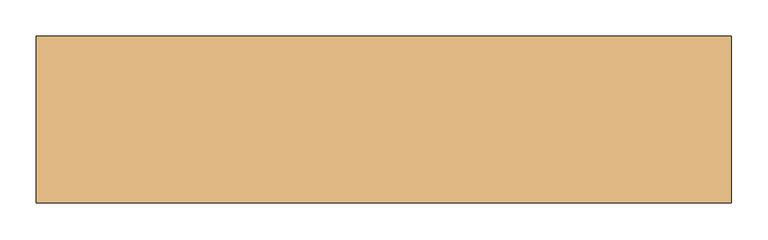
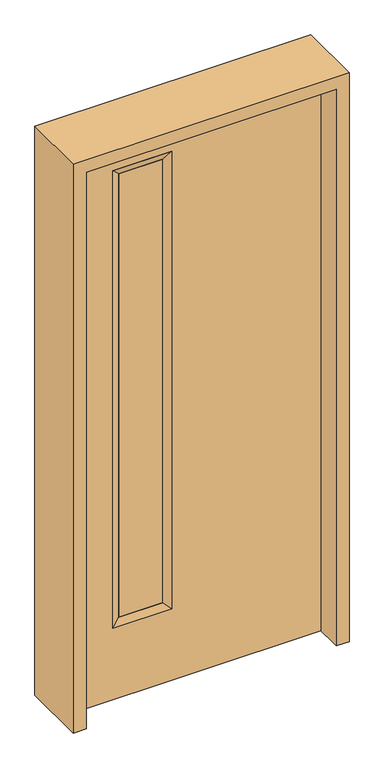
"""IFC4 building model written with IfcOpenShell, lengths in millimetres: door geometry."""

from ifc_helpers import new_model, si_unit, frame, origin, place, context, project, spatial, polyline, outline, extrude, faceted_brep, source, transform, mapped, element, save


def door_5e3670cf(model_context):
    return source(origin(), model_context, "Body", "SolidModel", [
        faceted_brep([(-82.55, 22.225, 1930.4), (-82.55, -22.225, 1930.4), (-82.55, -22.225, 260.35), (-82.55, 22.225, 260.35), (-107.95, -12.7039749, 1905.0), (-107.95, -12.7039749, 285.75), (-285.75, -22.225, 260.35), (-285.75, 22.225, 260.35), (-107.95, 14.2875, 1905.0), (-107.95, 14.2875, 285.75), (-260.35, 14.2875, 285.75), (-260.35, -12.7039749, 285.75), (-285.75, -22.225, 1930.4), (-285.75, 22.225, 1930.4), (-260.35, 14.2875, 1905.0), (-260.35, -12.7039749, 1905.0)], [[[0, 1, 2, 3]], [[1, 4, 5, 2]], [[3, 2, 6, 7]], [[8, 0, 3, 9]], [[4, 8, 9, 5]], [[5, 9, 10, 11]], [[2, 5, 11, 6]], [[7, 6, 12, 13]], [[9, 3, 7, 10]], [[11, 10, 14, 15]], [[6, 11, 15, 12]], [[10, 7, 13, 14]], [[13, 12, 1, 0]], [[15, 14, 8, 4]], [[12, 15, 4, 1]], [[14, 13, 0, 8]]]),
        extrude(outline(polyline([(2032.0, -431.8), (0.0, -431.8), (0.0, 431.8), (2032.0, 431.8), (2032.0, -431.8)]), holes=[polyline([(1930.4, -82.55), (260.35, -82.55), (260.35, -285.75), (1930.4, -285.75), (1930.4, -82.55)])]), frame((0.0, -22.225, 0.0), z_axis=(0.0, 1.0, 0.0), x_axis=(0.0, 0.0, 1.0)), (0.0, 0.0, 1.0), 44.45),
        extrude(outline(polyline([(-107.95, -12.7039749), (-260.35, -12.7039749), (-260.35, 14.2875), (-107.95, 14.2875), (-107.95, -12.7039749)])), frame((0.0, 0.0, 285.75), z_axis=(0.0, 0.0, 1.0), x_axis=(1.0, 0.0, 0.0)), (0.0, 0.0, 1.0), 1619.25),
        extrude(outline(polyline([(0.0, 431.8), (0.0, 476.25), (2076.45, 476.25), (2076.45, -476.25), (0.0, -476.25), (0.0, -431.8), (2032.0, -431.8), (2032.0, 431.8), (0.0, 431.8)])), frame((0.0, -114.3, 0.0), z_axis=(0.0, 1.0, 0.0), x_axis=(0.0, 0.0, 1.0)), (0.0, 0.0, 1.0), 228.6),
    ])


if __name__ == "__main__":
    model = new_model("IFC4")
    model_context = context("Model", 3, world=origin())
    ifc_project = project(units=[si_unit("LENGTHUNIT", "METRE", prefix="MILLI")], contexts=[model_context])
    site = spatial("IfcSite", under=ifc_project)
    building = spatial("IfcBuilding", under=site)
    placement = place(None, origin())
    door_shape = door_5e3670cf(model_context)
    element("IfcDoor", 1, at=placement, inside=building, context=model_context, shape_type="MappedRepresentation", body=[
        mapped(door_shape, transform((0.0, 0.0, 0.0), x_axis=(1.0, 0.0, 0.0), y_axis=(0.0, 1.0, 0.0), z_axis=(0.0, 0.0, 1.0))),
    ])
    save(model, "model.ifc")
